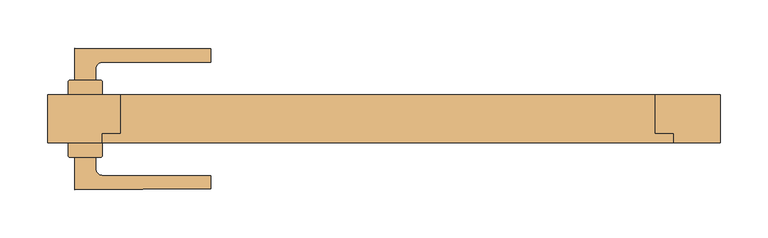
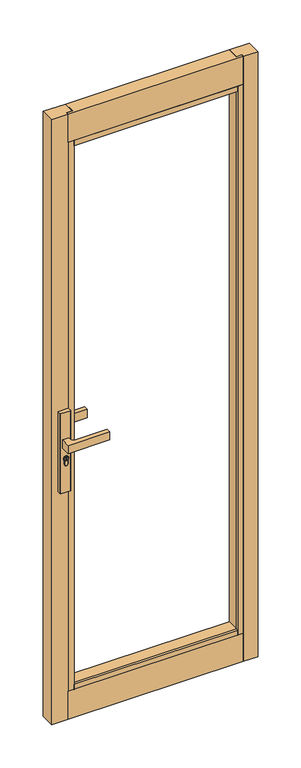
"""IFC4 building model written with IfcOpenShell, lengths in millimetres: door geometry."""

from ifc_helpers import new_model, si_unit, point, frame, frame_2d, origin, place, context, project, spatial, polyline, circle_curve, trimmed, segment, composite_curve, outline, extrude, faceted_brep, source, transform, mapped, element, save


def door_ecb88ba4(model_context):
    return source(origin(), model_context, "Body", "SolidModel", [
        extrude(outline(composite_curve([segment(trimmed(circle_curve(frame_2d((945.687184, -315.651515)), 5.9005564), [point((945.687184, -309.7509586))], [point((945.687184, -321.5520714))], False, "CARTESIAN"), True, "CONTINUOUS"), segment(trimmed(circle_curve(frame_2d((945.687184, -315.651515)), 5.9005564), [point((945.687184, -321.5520714))], [point((945.687184, -309.7509586))], False, "CARTESIAN"), True, "CONTINUOUS")], self_intersect=False), holes=[polyline([(949.7292167, -316.7155863), (949.7292167, -314.6676469), (948.9292167, -314.6676469), (948.3483344, -315.7155863), (947.1634303, -315.7155863), (946.3431864, -314.8953425), (944.6002002, -314.8953425), (944.0258593, -315.7155863), (941.7685105, -315.7155863), (941.7685105, -316.7155863), (944.5464263, -316.7155863), (945.1207673, -315.8953425), (945.9289729, -315.8953425), (946.7492167, -316.7155863), (949.7292167, -316.7155863)])]), frame((0.0, 40.2500753, 0.0), z_axis=(0.0, 1.0, 0.0), x_axis=(0.0, 0.0, 1.0)), (0.0, 0.0, 1.0), 4.423715),
        extrude(outline(composite_curve([segment(trimmed(circle_curve(frame_2d((-332.3000337, 39.0000748)), 1.0), [point((-333.3000337, 39.0000748))], [point((-332.3000337, 40.0000748))], False, "CARTESIAN"), True, "CONTINUOUS"), segment(polyline([(-332.3000337, 40.0000748), (-299.3000339, 40.0000748)]), True, "CONTINUOUS"), segment(trimmed(circle_curve(frame_2d((-299.3000339, 39.0000748)), 1.0), [point((-299.3000339, 40.0000748))], [point((-298.3000339, 39.0000748))], False, "CARTESIAN"), True, "CONTINUOUS"), segment(polyline([(-298.3000339, 39.0000748), (-298.3000339, 25.0000751), (-333.3000337, 25.0000751), (-333.3000337, 39.0000748)]), True, "CONTINUOUS")], self_intersect=False)), frame((0.0, 0.0, 822.4734334), z_axis=(0.0, 0.0, 1.0), x_axis=(1.0, 0.0, 0.0)), (0.0, 0.0, 1.0), 287.6450734),
        extrude(outline(composite_curve([segment(polyline([(-333.3000337, -38.9999345), (-333.3000337, -24.9999349), (-298.3000339, -24.9999349), (-298.3000339, -38.9999345)]), True, "CONTINUOUS"), segment(trimmed(circle_curve(frame_2d((-299.3000339, -38.9999345)), 1.0), [point((-298.3000339, -38.9999345))], [point((-299.3000339, -39.9999345))], False, "CARTESIAN"), True, "CONTINUOUS"), segment(polyline([(-299.3000339, -39.9999345), (-332.3000337, -39.9999345)]), True, "CONTINUOUS"), segment(trimmed(circle_curve(frame_2d((-332.3000337, -38.9999345)), 1.0), [point((-332.3000337, -39.9999345))], [point((-333.3000337, -38.9999345))], False, "CARTESIAN"), True, "CONTINUOUS")], self_intersect=False)), frame((0.0, 0.0, 822.4734334), z_axis=(0.0, 0.0, 1.0), x_axis=(1.0, 0.0, 0.0)), (0.0, 0.0, 1.0), 287.6450734),
        extrude(outline(composite_curve([segment(trimmed(circle_curve(frame_2d((945.687184, -315.651515)), 8.4005564), [point((939.648662, -309.811515))], [point((939.2521745, -321.051515))], False, "CARTESIAN"), True, "CONTINUOUS"), segment(polyline([(939.2521745, -321.051515), (926.2077404, -321.051515)]), True, "CONTINUOUS"), segment(trimmed(circle_curve(frame_2d((926.2077404, -315.431515)), 5.62), [point((926.2077404, -321.051515))], [point((926.2077404, -309.811515))], False, "CARTESIAN"), True, "CONTINUOUS"), segment(polyline([(926.2077404, -309.811515), (939.648662, -309.811515)]), True, "CONTINUOUS")], self_intersect=False), holes=[composite_curve([segment(trimmed(circle_curve(frame_2d((945.687184, -315.651515)), 6.4005564), [point((945.687184, -309.2509586))], [point((945.687184, -322.0520714))], True, "CARTESIAN"), True, "CONTINUOUS"), segment(trimmed(circle_curve(frame_2d((945.687184, -315.651515)), 6.4005564), [point((945.687184, -322.0520714))], [point((945.687184, -309.2509586))], True, "CARTESIAN"), True, "CONTINUOUS")], self_intersect=False)]), frame((0.0, 40.2500753, 0.0), z_axis=(0.0, 1.0, 0.0), x_axis=(0.0, 0.0, 1.0)), (0.0, 0.0, 1.0), 3.0593403),
        extrude(outline(composite_curve([segment(trimmed(circle_curve(frame_2d((945.687184, -315.651515)), 6.4005564), [point((945.687184, -322.0520714))], [point((945.687184, -309.2509586))], False, "CARTESIAN"), True, "CONTINUOUS"), segment(trimmed(circle_curve(frame_2d((945.687184, -315.651515)), 6.4005564), [point((945.687184, -309.2509586))], [point((945.687184, -322.0520714))], False, "CARTESIAN"), True, "CONTINUOUS")], self_intersect=False), holes=[composite_curve([segment(trimmed(circle_curve(frame_2d((945.687184, -315.651515)), 5.9005564), [point((945.687184, -321.5520714))], [point((945.687184, -309.7509586))], True, "CARTESIAN"), True, "CONTINUOUS"), segment(trimmed(circle_curve(frame_2d((945.687184, -315.651515)), 5.9005564), [point((945.687184, -309.7509586))], [point((945.687184, -321.5520714))], True, "CARTESIAN"), True, "CONTINUOUS")], self_intersect=False)]), frame((0.0, 40.2500753, 0.0), z_axis=(0.0, 1.0, 0.0), x_axis=(0.0, 0.0, 1.0)), (0.0, 0.0, 1.0), 3.0593403),
        extrude(outline(composite_curve([segment(polyline([(939.1595834, -321.251515), (926.2077404, -321.251515)]), True, "CONTINUOUS"), segment(trimmed(circle_curve(frame_2d((926.2077404, -315.431515)), 5.82), [point((926.2077404, -321.251515))], [point((926.2077404, -309.611515))], False, "CARTESIAN"), True, "CONTINUOUS"), segment(polyline([(926.2077404, -309.611515), (939.564442, -309.611515)]), True, "CONTINUOUS"), segment(trimmed(circle_curve(frame_2d((945.687184, -315.651515)), 8.6005564), [point((939.564442, -309.611515))], [point((939.1595834, -321.251515))], False, "CARTESIAN"), True, "CONTINUOUS")], self_intersect=False), holes=[composite_curve([segment(polyline([(926.2077404, -321.051515), (939.2521745, -321.051515)]), True, "CONTINUOUS"), segment(trimmed(circle_curve(frame_2d((945.687184, -315.651515)), 8.4005564), [point((939.2521745, -321.051515))], [point((939.648662, -309.811515))], True, "CARTESIAN"), True, "CONTINUOUS"), segment(polyline([(939.648662, -309.811515), (926.2077404, -309.811515)]), True, "CONTINUOUS"), segment(trimmed(circle_curve(frame_2d((926.2077404, -315.431515)), 5.62), [point((926.2077404, -309.811515))], [point((926.2077404, -321.051515))], True, "CARTESIAN"), True, "CONTINUOUS")], self_intersect=False)]), frame((0.0, 40.2500753, 0.0), z_axis=(0.0, 1.0, 0.0), x_axis=(0.0, 0.0, 1.0)), (0.0, 0.0, 1.0), 3.0593403),
        extrude(outline(composite_curve([segment(trimmed(circle_curve(frame_2d((-259.8000335, -862.7499249)), 939.0), [point((-326.8000338, 73.8567161))], [point((-184.8000284, 73.2500747))], False, "CARTESIAN"), True, "CONTINUOUS"), segment(polyline([(-184.8000284, 73.2500747), (-184.8000284, 59.2500738), (-297.2954991, 59.2500738)]), True, "CONTINUOUS"), segment(trimmed(circle_curve(frame_2d((-297.3000338, 51.7500751)), 7.5), [point((-297.2954991, 59.2500738))], [point((-304.8000338, 51.7500751))], True, "CARTESIAN"), True, "CONTINUOUS"), segment(polyline([(-304.8000338, 51.7500751), (-304.8000338, 40.2500753), (-326.8000338, 40.2500753), (-326.8000338, 73.8567161)]), True, "CONTINUOUS")], self_intersect=False)), frame((0.0, 0.0, 985.1796291), z_axis=(0.0, 0.0, 1.0), x_axis=(1.0, 0.0, 0.0)), (0.0, 0.0, 1.0), 29.6407418),
        extrude(outline(composite_curve([segment(trimmed(circle_curve(frame_2d((945.687184, -315.651515)), 5.9005564), [point((945.687184, -309.7509586))], [point((945.687184, -321.5520714))], False, "CARTESIAN"), True, "CONTINUOUS"), segment(trimmed(circle_curve(frame_2d((945.687184, -315.651515)), 5.9005564), [point((945.687184, -321.5520714))], [point((945.687184, -309.7509586))], False, "CARTESIAN"), True, "CONTINUOUS")], self_intersect=False), holes=[polyline([(949.7292167, -316.7155863), (949.7292167, -314.6676469), (948.9292167, -314.6676469), (948.3483344, -315.7155863), (947.1634303, -315.7155863), (946.3431864, -314.8953425), (944.6002002, -314.8953425), (944.0258593, -315.7155863), (941.7685105, -315.7155863), (941.7685105, -316.7155863), (944.5464263, -316.7155863), (945.1207673, -315.8953425), (945.9289729, -315.8953425), (946.7492167, -316.7155863), (949.7292167, -316.7155863)])]), frame((0.0, -44.67365, 0.0), z_axis=(0.0, 1.0, 0.0), x_axis=(0.0, 0.0, 1.0)), (0.0, 0.0, 1.0), 4.423715),
        extrude(outline(composite_curve([segment(trimmed(circle_curve(frame_2d((945.687184, -315.651515)), 8.4005564), [point((939.648662, -309.811515))], [point((939.2521745, -321.051515))], False, "CARTESIAN"), True, "CONTINUOUS"), segment(polyline([(939.2521745, -321.051515), (926.2077404, -321.051515)]), True, "CONTINUOUS"), segment(trimmed(circle_curve(frame_2d((926.2077404, -315.431515)), 5.62), [point((926.2077404, -321.051515))], [point((926.2077404, -309.811515))], False, "CARTESIAN"), True, "CONTINUOUS"), segment(polyline([(926.2077404, -309.811515), (939.648662, -309.811515)]), True, "CONTINUOUS")], self_intersect=False), holes=[composite_curve([segment(trimmed(circle_curve(frame_2d((945.687184, -315.651515)), 6.4005564), [point((945.687184, -309.2509586))], [point((945.687184, -322.0520714))], True, "CARTESIAN"), True, "CONTINUOUS"), segment(trimmed(circle_curve(frame_2d((945.687184, -315.651515)), 6.4005564), [point((945.687184, -322.0520714))], [point((945.687184, -309.2509586))], True, "CARTESIAN"), True, "CONTINUOUS")], self_intersect=False)]), frame((0.0, -43.3092753, 0.0), z_axis=(0.0, 1.0, 0.0), x_axis=(0.0, 0.0, 1.0)), (0.0, 0.0, 1.0), 3.0593403),
        extrude(outline(composite_curve([segment(trimmed(circle_curve(frame_2d((945.687184, -315.651515)), 6.4005564), [point((945.687184, -322.0520714))], [point((945.687184, -309.2509586))], False, "CARTESIAN"), True, "CONTINUOUS"), segment(trimmed(circle_curve(frame_2d((945.687184, -315.651515)), 6.4005564), [point((945.687184, -309.2509586))], [point((945.687184, -322.0520714))], False, "CARTESIAN"), True, "CONTINUOUS")], self_intersect=False), holes=[composite_curve([segment(trimmed(circle_curve(frame_2d((945.687184, -315.651515)), 5.9005564), [point((945.687184, -321.5520714))], [point((945.687184, -309.7509586))], True, "CARTESIAN"), True, "CONTINUOUS"), segment(trimmed(circle_curve(frame_2d((945.687184, -315.651515)), 5.9005564), [point((945.687184, -309.7509586))], [point((945.687184, -321.5520714))], True, "CARTESIAN"), True, "CONTINUOUS")], self_intersect=False)]), frame((0.0, -43.3092753, 0.0), z_axis=(0.0, 1.0, 0.0), x_axis=(0.0, 0.0, 1.0)), (0.0, 0.0, 1.0), 3.0593403),
        extrude(outline(composite_curve([segment(polyline([(939.1595834, -321.251515), (926.2077404, -321.251515)]), True, "CONTINUOUS"), segment(trimmed(circle_curve(frame_2d((926.2077404, -315.431515)), 5.82), [point((926.2077404, -321.251515))], [point((926.2077404, -309.611515))], False, "CARTESIAN"), True, "CONTINUOUS"), segment(polyline([(926.2077404, -309.611515), (939.564442, -309.611515)]), True, "CONTINUOUS"), segment(trimmed(circle_curve(frame_2d((945.687184, -315.651515)), 8.6005564), [point((939.564442, -309.611515))], [point((939.1595834, -321.251515))], False, "CARTESIAN"), True, "CONTINUOUS")], self_intersect=False), holes=[composite_curve([segment(polyline([(926.2077404, -321.051515), (939.2521745, -321.051515)]), True, "CONTINUOUS"), segment(trimmed(circle_curve(frame_2d((945.687184, -315.651515)), 8.4005564), [point((939.2521745, -321.051515))], [point((939.648662, -309.811515))], True, "CARTESIAN"), True, "CONTINUOUS"), segment(polyline([(939.648662, -309.811515), (926.2077404, -309.811515)]), True, "CONTINUOUS"), segment(trimmed(circle_curve(frame_2d((926.2077404, -315.431515)), 5.62), [point((926.2077404, -309.811515))], [point((926.2077404, -321.051515))], True, "CARTESIAN"), True, "CONTINUOUS")], self_intersect=False)]), frame((0.0, -43.3092753, 0.0), z_axis=(0.0, 1.0, 0.0), x_axis=(0.0, 0.0, 1.0)), (0.0, 0.0, 1.0), 3.0593403),
        extrude(outline(composite_curve([segment(polyline([(-326.8000338, -73.8565759), (-326.8000338, -40.249935), (-304.8000338, -40.249935), (-304.8000338, -51.7499349)]), True, "CONTINUOUS"), segment(trimmed(circle_curve(frame_2d((-297.3000338, -51.7499349)), 7.5), [point((-304.8000338, -51.7499349))], [point((-297.2954991, -59.2499335))], True, "CARTESIAN"), True, "CONTINUOUS"), segment(polyline([(-297.2954991, -59.2499335), (-184.8000284, -59.2499335), (-184.8000284, -73.2499345)]), True, "CONTINUOUS"), segment(trimmed(circle_curve(frame_2d((-259.8000335, 862.7500651)), 939.0), [point((-184.8000284, -73.2499345))], [point((-326.8000338, -73.8565759))], False, "CARTESIAN"), True, "CONTINUOUS")], self_intersect=False)), frame((0.0, 0.0, 985.1796291), z_axis=(0.0, 0.0, 1.0), x_axis=(1.0, 0.0, 0.0)), (0.0, 0.0, 1.0), 29.6407418),
        faceted_brep([(-297.8000837, -15.9994771, 2066.0399064), (-297.8000837, -24.9999674, 2066.0399064), (-297.8000837, -24.9999674, 2166.0899064), (-297.8000837, -15.9994771, 2166.0899064), (298.0000593, -15.9994771, 2066.0399064), (298.0000593, -15.9994771, 2166.0899064), (298.0000593, -24.9999674, 2166.0899064), (298.0000593, -24.9999674, 2066.0399064), (-278.8000837, -15.9994771, 2166.0899064), (-278.8000837, -15.9994771, 2066.0399064), (279.0000593, -15.9994771, 2066.0399064), (279.0000593, -15.9994771, 2166.0899064), (279.0000593, 25.0000651, 2166.0899064), (-278.8000837, 25.0000651, 2166.0899064), (-278.8000837, 25.0000651, 2047.0399064), (-278.8000837, -15.9994771, 2047.0399064), (279.0000593, 25.0000651, 2047.0399064), (279.0000593, -15.9994771, 2047.0399064)], [[[0, 1, 2, 3]], [[4, 5, 6, 7]], [[3, 8, 9, 0]], [[4, 10, 11, 5]], [[0, 9, 10, 4, 7, 1]], [[1, 7, 6, 2]], [[2, 6, 5, 11, 12, 13, 8, 3]], [[14, 15, 9, 8, 13]], [[16, 12, 11, 10, 17]], [[13, 12, 16, 14]], [[14, 16, 17, 15]], [[17, 10, 9, 15]]]),
        faceted_brep([(-297.8000837, -24.9999349, 90.9821405), (-297.8000837, -15.9994771, 90.9821405), (-297.8000837, -15.9994771, -9.0178595), (-297.8000837, -24.9999349, -9.0178595), (298.0000593, -24.9999349, 90.9821405), (298.0000593, -24.9999349, -9.0178595), (298.0000593, -15.9994771, -9.0178595), (298.0000593, -15.9994771, 90.9821405), (279.0000593, -15.9994771, 90.9821405), (-278.8000837, -15.9994771, 90.9821405), (-278.8000837, -15.9994771, -9.0178595), (-278.8000837, 25.0000651, -9.0178595), (279.0000593, 25.0000651, -9.0178595), (279.0000593, -15.9994771, -9.0178595), (-278.8000837, 25.0000651, 109.9821405), (-278.8000837, -15.9994771, 109.9821405), (279.0000593, 25.0000651, 109.9821405), (279.0000593, -15.9994771, 109.9821405)], [[[0, 1, 2, 3]], [[4, 5, 6, 7]], [[0, 4, 7, 8, 9, 1]], [[3, 5, 4, 0]], [[2, 10, 11, 12, 13, 6, 5, 3]], [[1, 9, 10, 2]], [[6, 13, 8, 7]], [[14, 11, 10, 9, 15]], [[16, 17, 8, 13, 12]], [[14, 16, 12, 11]], [[15, 17, 16, 14]], [[15, 9, 8, 17]]]),
        extrude(outline(polyline([(279.0000573, -15.9994771), (298.0000593, -15.9994771), (298.0000593, -24.9999674), (279.0000573, -24.9999674), (279.0000573, -15.9994771)])), frame((0.0, 0.0, 90.9821405), z_axis=(0.0, 0.0, 1.0), x_axis=(1.0, 0.0, 0.0)), (0.0, 0.0, 1.0), 1975.057766),
        extrude(outline(polyline([(-278.8000837, 25.0000651), (-278.8000837, -15.9994771), (-297.8000837, -15.9994771), (-297.8000837, -24.9999349), (-354.8000837, -24.9999349), (-354.8000837, 25.0000651), (-278.8000837, 25.0000651)])), frame((0.0, 0.0, -9.0178595), z_axis=(0.0, 0.0, 1.0), x_axis=(1.0, 0.0, 0.0)), (0.0, 0.0, 1.0), 2175.107766),
        extrude(outline(polyline([(-278.8000837, -15.9994771), (279.0000593, -15.9994771), (279.0000593, -24.9999674), (-278.8000837, -24.9999674), (-278.8000837, -15.9994771)])), frame((0.0, 0.0, 2047.0399064), z_axis=(0.0, 0.0, 1.0), x_axis=(1.0, 0.0, 0.0)), (0.0, 0.0, 1.0), 19.0),
        extrude(outline(polyline([(-278.8000837, -15.9994771), (279.0000593, -15.9994771), (279.0000593, -24.9999674), (-278.8000837, -24.9999674), (-278.8000837, -15.9994771)])), frame((0.0, 0.0, 2047.0399044), z_axis=(0.0, 0.0, 1.0), x_axis=(1.0, 0.0, 0.0)), (0.0, 0.0, 1.0), 19.000002),
        extrude(outline(polyline([(-278.8000837, -15.9994771), (279.0000593, -15.9994771), (279.0000593, -24.9999349), (-278.8000837, -24.9999349), (-278.8000837, -15.9994771)])), frame((0.0, 0.0, 90.9821405), z_axis=(0.0, 0.0, 1.0), x_axis=(1.0, 0.0, 0.0)), (0.0, 0.0, 1.0), 19.0),
        extrude(outline(polyline([(279.0000573, -15.9994771), (298.0000593, -15.9994771), (298.0000593, -24.9999674), (279.0000573, -24.9999674), (279.0000573, -15.9994771)])), frame((0.0, 0.0, 90.9821405), z_axis=(0.0, 0.0, 1.0), x_axis=(1.0, 0.0, 0.0)), (0.0, 0.0, 1.0), 1975.057766),
        extrude(outline(polyline([(-278.8000837, -15.9994771), (-278.8000837, -24.9999349), (-297.8000837, -24.9999349), (-297.8000837, -15.9994771), (-278.8000837, -15.9994771)])), frame((0.0, 0.0, 90.9821405), z_axis=(0.0, 0.0, 1.0), x_axis=(1.0, 0.0, 0.0)), (0.0, 0.0, 1.0), 1975.057766),
        extrude(outline(polyline([(279.0000593, 25.0000651), (347.0000593, 25.0000651), (347.0000593, -24.9999674), (298.0000593, -24.9999674), (298.0000593, -15.9994771), (279.0000593, -15.9994771), (279.0000593, 25.0000651)])), frame((0.0, 0.0, -9.0178595), z_axis=(0.0, 0.0, 1.0), x_axis=(1.0, 0.0, 0.0)), (0.0, 0.0, 1.0), 2175.107766),
    ])


if __name__ == "__main__":
    model = new_model("IFC4")
    model_context = context("Model", 3, world=origin())
    ifc_project = project(units=[si_unit("LENGTHUNIT", "METRE", prefix="MILLI")], contexts=[model_context])
    site = spatial("IfcSite", under=ifc_project)
    building = spatial("IfcBuilding", under=site)
    placement = place(None, origin())
    door_shape = door_ecb88ba4(model_context)
    element("IfcDoor", 1, at=placement, inside=building, context=model_context, shape_type="MappedRepresentation", body=[
        mapped(door_shape, transform((0.0, 0.0, 0.0), x_axis=(1.0, 0.0, 0.0), y_axis=(0.0, 1.0, 0.0), z_axis=(0.0, 0.0, 1.0))),
    ])
    save(model, "model.ifc")
